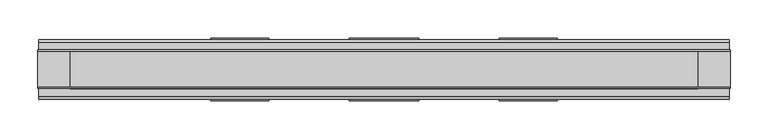
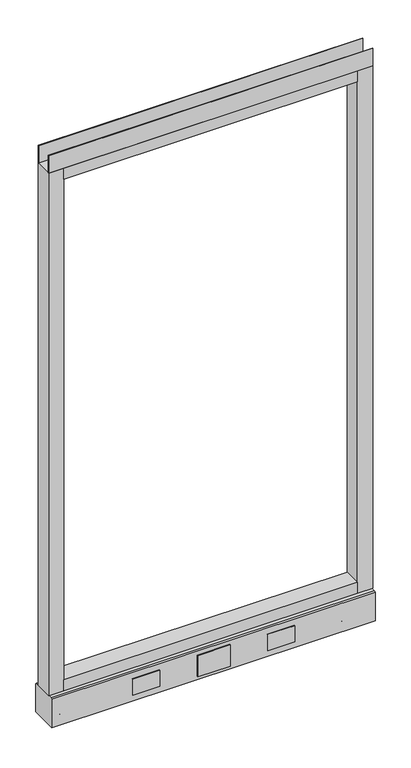
"""IFC4 building model written with IfcOpenShell, lengths in millimetres: furniture geometry."""

from ifc_helpers import new_model, si_unit, point, frame, frame_2d, origin, place, context, project, spatial, polyline, circle_curve, trimmed, segment, composite_curve, outline, extrude, source, transform, mapped, element, save
from ifc_brep_helpers import plane_surface, revolved_surface, advanced_brep


def furniture_548a147a(model_context):
    return source(origin(), model_context, "Body", "SolidModel", [
        advanced_brep(
        [(387.35, 0.0, 6.35), (412.75, 0.0, 6.35), (381.0, 0.0, 0.0), (419.1, 0.0, 0.0)],
        [
            (0, 1, circle_curve(frame((400.05, 0.0, 6.35), z_axis=(0.0, 0.0, 1.0), x_axis=(-1.0, 0.0, 0.0)), 12.7)),
            (1, 0, circle_curve(frame((400.05, 0.0, 6.35), z_axis=(0.0, 0.0, 1.0), x_axis=(1.0, 0.0, 0.0)), 12.7)),
            (2, 3, circle_curve(frame((400.05, 0.0, 0.0), z_axis=(0.0, 0.0, -1.0), x_axis=(1.0, 0.0, 0.0)), 19.05)),
            (3, 2, circle_curve(frame((400.05, 0.0, 0.0), z_axis=(0.0, 0.0, -1.0), x_axis=(-1.0, 0.0, 0.0)), 19.05)),
            (3, 1),
            (0, 2),
        ],
        [
            plane_surface(frame((400.05, 0.0, 6.35), z_axis=(0.0, 0.0, 1.0), x_axis=(0.0, -1.0, 0.0))),
            plane_surface(frame((400.05, 0.0, 0.0), z_axis=(0.0, 0.0, -1.0), x_axis=(0.0, -1.0, 0.0))),
            revolved_surface(polyline([(387.35, 0.0, 6.35), (381.0, 0.0, 0.0)]), (400.05, 0.0, 19.05), (0.0, 0.0, -1.0)),
            revolved_surface(polyline([(412.75, 0.0, 6.35), (419.1, 0.0, 0.0)]), (400.05, 0.0, 19.05), (0.0, 0.0, -1.0)),
        ],
        [
            (0, [[1, 2]]),
            (1, [[3, 4]]),
            (2, [[-4, 5, -1, 6]]),
            (3, [[-3, -6, -2, -5]]),
        ],
    ),
        advanced_brep(
        [(-412.75, 0.0, 6.35), (-387.35, 0.0, 6.35), (-419.1, 0.0, 0.0), (-381.0, 0.0, 0.0)],
        [
            (0, 1, circle_curve(frame((-400.05, 0.0, 6.35), z_axis=(0.0, 0.0, 1.0), x_axis=(-1.0, 0.0, 0.0)), 12.7)),
            (1, 0, circle_curve(frame((-400.05, 0.0, 6.35), z_axis=(0.0, 0.0, 1.0), x_axis=(1.0, 0.0, 0.0)), 12.7)),
            (2, 3, circle_curve(frame((-400.05, 0.0, 0.0), z_axis=(0.0, 0.0, -1.0), x_axis=(1.0, 0.0, 0.0)), 19.05)),
            (3, 2, circle_curve(frame((-400.05, 0.0, 0.0), z_axis=(0.0, 0.0, -1.0), x_axis=(-1.0, 0.0, 0.0)), 19.05)),
            (3, 1),
            (0, 2),
        ],
        [
            plane_surface(frame((-400.05, 0.0, 6.35), z_axis=(0.0, 0.0, 1.0), x_axis=(0.0, -1.0, 0.0))),
            plane_surface(frame((-400.05, 0.0, 0.0), z_axis=(0.0, 0.0, -1.0), x_axis=(0.0, -1.0, 0.0))),
            revolved_surface(polyline([(-412.75, 0.0, 6.35), (-419.1, 0.0, 0.0)]), (-400.05, 0.0, 19.05), (0.0, 0.0, -1.0)),
            revolved_surface(polyline([(-387.35, 0.0, 6.35), (-381.0, 0.0, 0.0)]), (-400.05, 0.0, 19.05), (0.0, 0.0, -1.0)),
        ],
        [
            (0, [[1, 2]]),
            (1, [[3, 4]]),
            (2, [[-4, 5, -1, 6]]),
            (3, [[-3, -6, -2, -5]]),
        ],
    ),
        extrude(outline(polyline([(228.6, 39.0921875), (152.4, 39.0921875), (152.4, 41.4020035), (228.6, 41.4020035), (228.6, 39.0921875)])), frame((0.0, 0.0, 32.512), z_axis=(0.0, 0.0, 1.0), x_axis=(1.0, 0.0, 0.0)), (0.0, 0.0, 1.0), 48.26),
        extrude(outline(polyline([(45.7708, 39.0921875), (-45.7708, 39.0921875), (-45.7708, 41.4020035), (45.7708, 41.4020035), (45.7708, 39.0921875)])), frame((0.0, 0.0, 23.8125), z_axis=(0.0, 0.0, 1.0), x_axis=(1.0, 0.0, 0.0)), (0.0, 0.0, 1.0), 63.5),
        extrude(outline(polyline([(-152.4, 39.0921875), (-228.6, 39.0921875), (-228.6, 41.4020035), (-152.4, 41.4020035), (-152.4, 39.0921875)])), frame((0.0, 0.0, 32.512), z_axis=(0.0, 0.0, 1.0), x_axis=(1.0, 0.0, 0.0)), (0.0, 0.0, 1.0), 48.26),
        extrude(outline(polyline([(228.6, -41.4019923), (152.4, -41.4019923), (152.4, -39.0921875), (228.6, -39.0921875), (228.6, -41.4019923)])), frame((0.0, 0.0, 32.512), z_axis=(0.0, 0.0, 1.0), x_axis=(1.0, 0.0, 0.0)), (0.0, 0.0, 1.0), 48.26),
        extrude(outline(polyline([(-152.4, -41.4019923), (-228.6, -41.4019923), (-228.6, -39.0921875), (-152.4, -39.0921875), (-152.4, -41.4019923)])), frame((0.0, 0.0, 32.512), z_axis=(0.0, 0.0, 1.0), x_axis=(1.0, 0.0, 0.0)), (0.0, 0.0, 1.0), 48.26),
        extrude(outline(polyline([(45.7708, -41.4019923), (-45.7708, -41.4019923), (-45.7708, -39.0921875), (45.7708, -39.0921875), (45.7708, -41.4019923)])), frame((0.0, 0.0, 23.8125), z_axis=(0.0, 0.0, 1.0), x_axis=(1.0, 0.0, 0.0)), (0.0, 0.0, 1.0), 63.5),
        extrude(outline(polyline([(457.2, -23.8125), (457.2, -25.4), (-457.2, -25.4), (-457.2, -23.8125), (457.2, -23.8125)])), frame((0.0, 0.0, 1661.033), z_axis=(0.0, 0.0, 1.0), x_axis=(1.0, 0.0, 0.0)), (0.0, 0.0, 1.0), 51.435),
        extrude(outline(polyline([(457.2, 25.4), (457.2, 23.8125), (-457.2, 23.8125), (-457.2, 25.4), (457.2, 25.4)])), frame((0.0, 0.0, 1661.033), z_axis=(0.0, 0.0, 1.0), x_axis=(1.0, 0.0, 0.0)), (0.0, 0.0, 1.0), 51.435),
        extrude(outline(polyline([(414.3375, -25.4), (-414.3375, -25.4), (-414.3375, 25.4), (414.3375, 25.4), (414.3375, -25.4)])), frame((0.0, 0.0, 1628.14), z_axis=(0.0, 0.0, 1.0), x_axis=(1.0, 0.0, 0.0)), (0.0, 0.0, 1.0), 32.893),
        extrude(outline(polyline([(414.3375, -25.4), (-414.3375, -25.4), (-414.3375, 25.4), (414.3375, 25.4), (414.3375, -25.4)])), frame((0.0, 0.0, 101.6), z_axis=(0.0, 0.0, 1.0), x_axis=(1.0, 0.0, 0.0)), (0.0, 0.0, 1.0), 32.893),
        extrude(outline(composite_curve([segment(trimmed(circle_curve(frame_2d((-400.05, 0.0)), 5.55625), [point((-405.60625, 0.0))], [point((-394.49375, 0.0))], False, "CARTESIAN"), True, "CONTINUOUS"), segment(trimmed(circle_curve(frame_2d((-400.05, 0.0)), 5.55625), [point((-394.49375, 0.0))], [point((-405.60625, 0.0))], False, "CARTESIAN"), True, "CONTINUOUS")], self_intersect=False)), frame((0.0, 0.0, 6.35), z_axis=(0.0, 0.0, 1.0), x_axis=(1.0, 0.0, 0.0)), (0.0, 0.0, 1.0), 7.9375),
        extrude(outline(composite_curve([segment(trimmed(circle_curve(frame_2d((400.05, 0.0)), 5.55625), [point((394.49375, 0.0))], [point((405.60625, 0.0))], False, "CARTESIAN"), True, "CONTINUOUS"), segment(trimmed(circle_curve(frame_2d((400.05, 0.0)), 5.55625), [point((405.60625, 0.0))], [point((394.49375, 0.0))], False, "CARTESIAN"), True, "CONTINUOUS")], self_intersect=False)), frame((0.0, 0.0, 6.35), z_axis=(0.0, 0.0, 1.0), x_axis=(1.0, 0.0, 0.0)), (0.0, 0.0, 1.0), 7.9375),
        extrude(outline(polyline([(-414.3375, -25.4), (-457.2, -25.4), (-457.2, 25.4), (-414.3375, 25.4), (-414.3375, -25.4)])), frame((0.0, 0.0, 101.6), z_axis=(0.0, 0.0, 1.0), x_axis=(1.0, 0.0, 0.0)), (0.0, 0.0, 1.0), 1559.433),
        extrude(outline(polyline([(457.2, -25.4), (414.3375, -25.4), (414.3375, 25.4), (457.2, 25.4), (457.2, -25.4)])), frame((0.0, 0.0, 101.6), z_axis=(0.0, 0.0, 1.0), x_axis=(1.0, 0.0, 0.0)), (0.0, 0.0, 1.0), 1559.433),
        extrude(outline(polyline([(-35.9171875, 101.6), (35.9171875, 101.6), (39.0921875, 98.425), (39.0921875, 14.2875), (-39.0921875, 14.2875), (-39.0921875, 98.425), (-35.9171875, 101.6)])), frame((-456.057, 0.0, 0.0), z_axis=(1.0, 0.0, 0.0), x_axis=(0.0, 1.0, 0.0)), (0.0, 0.0, 1.0), 912.1140102),
    ])


if __name__ == "__main__":
    model = new_model("IFC4")
    model_context = context("Model", 3, world=origin())
    ifc_project = project(units=[si_unit("LENGTHUNIT", "METRE", prefix="MILLI")], contexts=[model_context])
    site = spatial("IfcSite", under=ifc_project)
    building = spatial("IfcBuilding", under=site)
    placement = place(None, origin())
    furniture_shape = furniture_548a147a(model_context)
    element("IfcFurniture", 1, at=placement, inside=building, context=model_context, shape_type="MappedRepresentation", body=[
        mapped(furniture_shape, transform((0.0, 0.0, 0.0), x_axis=(1.0, 0.0, 0.0), y_axis=(0.0, 1.0, 0.0), z_axis=(0.0, 0.0, 1.0))),
    ])
    save(model, "model.ifc")
